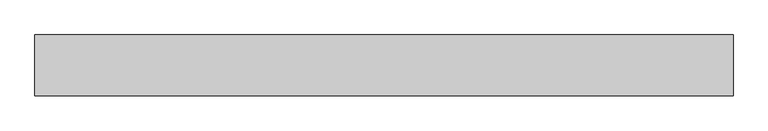
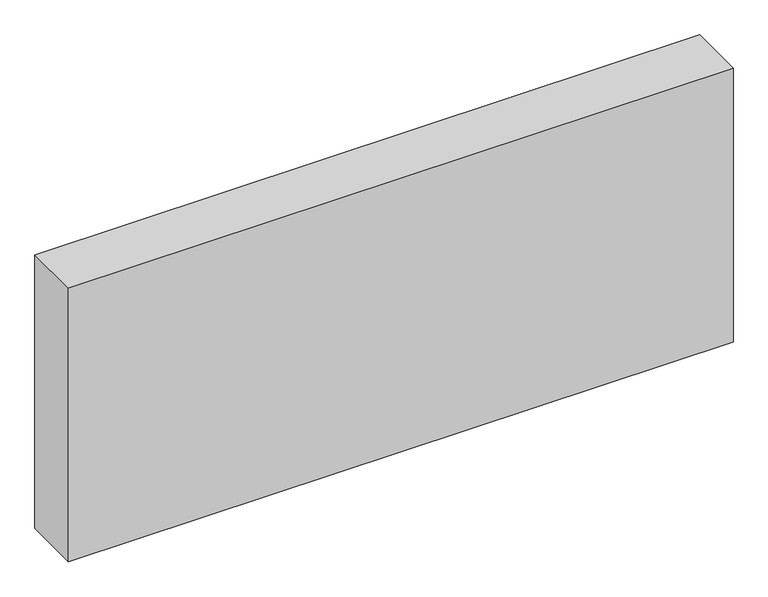
"""IFC4 building model written with IfcOpenShell, lengths in millimetres: proxy geometry."""

from ifc_helpers import new_model, si_unit, frame, origin, place, context, project, spatial, polyline, outline, extrude, source, transform, mapped, element, save


def generic_models_a0c6d780(model_context):
    return source(origin(), model_context, "Body", "SweptSolid", [
        extrude(outline(polyline([(0.0, -100.0), (-1147.8862228, -100.0), (-1147.8862228, 0.0), (0.0, 0.0), (0.0, -100.0)])), frame((0.0, 0.0, 300.0), z_axis=(0.0, 0.0, 1.0), x_axis=(1.0, 0.0, 0.0)), (0.0, 0.0, 1.0), 500.0),
    ])


if __name__ == "__main__":
    model = new_model("IFC4")
    model_context = context("Model", 3, world=origin())
    ifc_project = project(units=[si_unit("LENGTHUNIT", "METRE", prefix="MILLI")], contexts=[model_context])
    site = spatial("IfcSite", under=ifc_project)
    building = spatial("IfcBuilding", under=site)
    placement = place(None, origin())
    generic_models_shape = generic_models_a0c6d780(model_context)
    element("IfcBuildingElementProxy", 1, Name="Generic Models", at=placement, inside=building, context=model_context, shape_type="MappedRepresentation", body=[
        mapped(generic_models_shape, transform((0.0, 0.0, 0.0), x_axis=(1.0, 0.0, 0.0), y_axis=(0.0, 1.0, 0.0), z_axis=(0.0, 0.0, 1.0))),
    ])
    save(model, "model.ifc")
